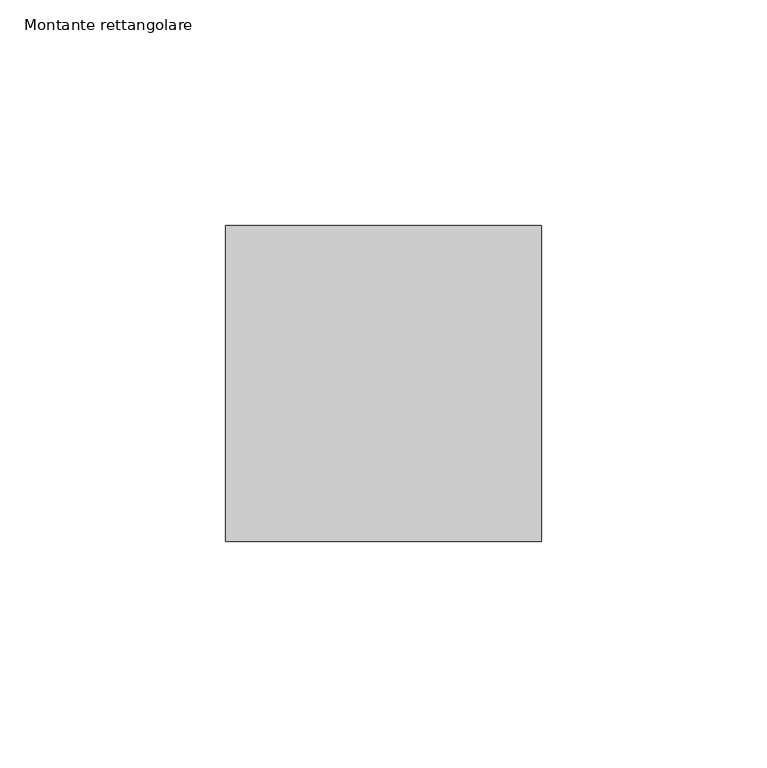
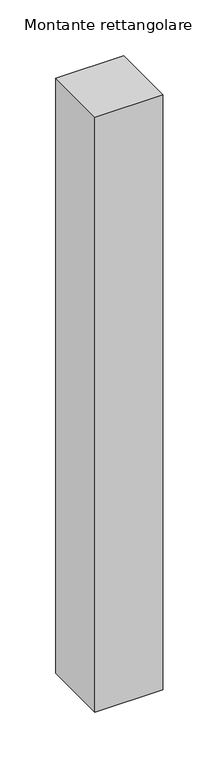
"""IFC4 building model written with IfcOpenShell, lengths in millimetres: member geometry, Montante rettangolare."""

import ifcopenshell
import ifcopenshell.guid

model = None  # the IFC model being written
_history = None  # IfcOwnerHistory: only IFC2X3 demands one
_inside = {}  # id of a spatial element -> (the spatial element, [elements in it])
_under = {}  # id of a project, library or spatial element -> (it, [spatial elements below it])
_declared = {}  # id of a project -> (the project, [libraries it declares])
_typed = {}  # id of a type object -> (the type object, [elements of that type])
_made_of = {}  # id of a material, layer set ... -> (it, [elements and type objects made of it])


def new_model(schema):
    """Start an empty IFC model of exactly this schema.

    Asked for "IFC4X3", IfcOpenShell would pick the latest addendum, in which some entities
    have other attributes; the version numbers below select the first issue.
    IFC2X3 requires an IfcOwnerHistory on every rooted entity: one is made here for all.
    """
    global model, _history
    if schema == "IFC4X3":
        model = ifcopenshell.file(schema_version=(4, 3, 0, 0))
    else:
        model = ifcopenshell.file(schema=schema)
    _inside.clear()
    _under.clear()
    _declared.clear()
    _typed.clear()
    _made_of.clear()
    _history = None
    if model.schema == "IFC2X3":
        org = make("IfcOrganization", Name="unknown")
        user = make(
            "IfcPersonAndOrganization",
            ThePerson=make("IfcPerson", FamilyName="unknown"),
            TheOrganization=org,
        )
        app = make(
            "IfcApplication",
            ApplicationDeveloper=org,
            Version="unknown",
            ApplicationFullName="unknown",
            ApplicationIdentifier="unknown",
        )
        _history = make(
            "IfcOwnerHistory",
            OwningUser=user,
            OwningApplication=app,
            ChangeAction="ADDED",
            CreationDate=0,
        )
    return model


def make(cls, **values):
    """One entity of the class cls with the attributes given. An attribute that is None is left unset."""
    return model.create_entity(
        cls, **{name: value for name, value in values.items() if value is not None}
    )


def rooted(cls, **values):
    """An entity with a GlobalId (a new one), such as an element, a storey or a relation."""
    return make(cls, GlobalId=ifcopenshell.guid.new(), OwnerHistory=_history, **values)


def si_unit(unit_type, name, prefix=None):
    """IfcSIUnit, for example si_unit("LENGTHUNIT", "METRE", prefix="MILLI")."""
    return make("IfcSIUnit", UnitType=unit_type, Prefix=prefix, Name=name)


def assignment(units):
    """IfcUnitAssignment: the units of a project."""
    return None if units is None else make("IfcUnitAssignment", Units=units)


def point(xyz):
    """IfcCartesianPoint."""
    return None if xyz is None else make("IfcCartesianPoint", Coordinates=xyz)


def direction(xyz):
    """IfcDirection."""
    return None if xyz is None else make("IfcDirection", DirectionRatios=xyz)


def frame(location, z_axis=None, x_axis=None):
    """IfcAxis2Placement3D, a coordinate frame: its origin and axes. An axis left out is left unset."""
    return make(
        "IfcAxis2Placement3D",
        Location=point(location),
        Axis=direction(z_axis),
        RefDirection=direction(x_axis),
    )


def origin():
    """The frame at (0, 0, 0) with its axes left unset."""
    return frame((0.0, 0.0, 0.0))


def place(relative_to, where):
    """IfcLocalPlacement: puts the frame where relative to a parent placement (None: the world)."""
    return make(
        "IfcLocalPlacement", PlacementRelTo=relative_to, RelativePlacement=where
    )


def context(
    kind, dimensions, precision=None, world=None, true_north=None, identifier=None
):
    """IfcGeometricRepresentationContext, for example the 3D "Model" context."""
    return make(
        "IfcGeometricRepresentationContext",
        ContextIdentifier=identifier,
        ContextType=kind,
        CoordinateSpaceDimension=dimensions,
        Precision=precision,
        WorldCoordinateSystem=world,
        TrueNorth=true_north,
    )


def project(units=None, contexts=None):
    """IfcProject with its units and contexts."""
    return rooted(
        "IfcProject",
        Name="project",
        RepresentationContexts=contexts,
        UnitsInContext=assignment(units),
    )


def spatial(cls, under=None, at=None, **own):
    """A site, building, storey or space (cls), placed at a placement, below another one or the project."""
    s = rooted(cls, ObjectPlacement=at, **own)
    if under is not None:
        _under.setdefault(under.id(), (under, []))[1].append(s)
    return s


def polyline(points):
    """IfcPolyline through the points."""
    return make("IfcPolyline", Points=[point(p) for p in points])


def outline(outer, holes=None, kind="AREA"):
    """IfcArbitraryClosedProfileDef: a profile drawn as a closed curve; with holes, ...WithVoids."""
    if holes is None:
        return make("IfcArbitraryClosedProfileDef", ProfileType=kind, OuterCurve=outer)
    return make(
        "IfcArbitraryProfileDefWithVoids",
        ProfileType=kind,
        OuterCurve=outer,
        InnerCurves=holes,
    )


def extrude(swept, where, along, depth):
    """IfcExtrudedAreaSolid: the profile swept, set in the frame where, extruded along a direction by depth."""
    return make(
        "IfcExtrudedAreaSolid",
        SweptArea=swept,
        Position=where,
        ExtrudedDirection=direction(along),
        Depth=depth,
    )


def shape(context_of_items, identifier, shape_type, items):
    """IfcShapeRepresentation: the items that make up one representation, for example the "Body"."""
    return make(
        "IfcShapeRepresentation",
        ContextOfItems=context_of_items,
        RepresentationIdentifier=identifier,
        RepresentationType=shape_type,
        Items=items,
    )


def source(mapping_origin, context_of_items, identifier, shape_type, items):
    """IfcRepresentationMap: a shape defined once, which mapped items show again and again."""
    return make(
        "IfcRepresentationMap",
        MappingOrigin=mapping_origin,
        MappedRepresentation=shape(context_of_items, identifier, shape_type, items),
    )


def transform(
    local_origin,
    x_axis=None,
    y_axis=None,
    z_axis=None,
    scale=None,
    scale2=None,
    scale3=None,
    uniform=True,
):
    """IfcCartesianTransformationOperator3D, or its non-uniform kind. x_axis, y_axis, z_axis: its Axis1, 2, 3."""
    if uniform:
        return make(
            "IfcCartesianTransformationOperator3D",
            Axis1=direction(x_axis),
            Axis2=direction(y_axis),
            LocalOrigin=point(local_origin),
            Scale=scale,
            Axis3=direction(z_axis),
        )
    return make(
        "IfcCartesianTransformationOperator3DnonUniform",
        Axis1=direction(x_axis),
        Axis2=direction(y_axis),
        LocalOrigin=point(local_origin),
        Scale=scale,
        Axis3=direction(z_axis),
        Scale2=scale2,
        Scale3=scale3,
    )


def mapped(mapping_source, mapping_target):
    """IfcMappedItem: shows the shape of a source again, moved by a transform."""
    return make(
        "IfcMappedItem", MappingSource=mapping_source, MappingTarget=mapping_target
    )


def made_of(thing, what):
    """Note that an element or type object is made of a material, layer set ...; save() writes the relation."""
    if what is not None:
        _made_of.setdefault(what.id(), (what, []))[1].append(thing)
    return thing


def element(
    cls,
    number,
    at=None,
    inside=None,
    cuts=None,
    type_object=None,
    material=None,
    context=None,
    identifier="Body",
    shape_type=None,
    held_by="IfcProductDefinitionShape",
    body=None,
    shapes=None,
    **own,
):
    """One element of the class cls, such as IfcWall. Its Tag is "e" and its number.

    at: its placement. inside: the storey or other place that contains it. cuts: it is an
    opening in that element (IfcRelVoidsElement). A single representation is given by context,
    identifier, shape_type and body (its items); several are given by shapes. held_by: the class
    of the entity that holds the representations. save() writes the other relations.
    """
    e = rooted(cls, Tag="e%d" % number, ObjectPlacement=at, **own)
    if body is not None:
        shapes = [shape(context, identifier, shape_type, body)]
    if shapes is not None:
        e.Representation = make(held_by, Representations=shapes)
    if inside is not None:
        _inside.setdefault(inside.id(), (inside, []))[1].append(e)
    if cuts is not None:
        rooted(
            "IfcRelVoidsElement", RelatingBuildingElement=cuts, RelatedOpeningElement=e
        )
    if type_object is not None:
        _typed.setdefault(type_object.id(), (type_object, []))[1].append(e)
    return made_of(e, material)


def aggregate(whole, parts):
    """IfcRelAggregates: a whole, such as a stair, and the parts it consists of."""
    return rooted("IfcRelAggregates", RelatingObject=whole, RelatedObjects=parts)


def save(model, path):
    """Write the relations noted so far, then the file.

    IfcRelAggregates (storeys below a building ...), IfcRelContainedInSpatialStructure (elements
    in a storey), IfcRelDefinesByType, IfcRelAssociatesMaterial and IfcRelDeclares: one each for
    every whole, place, type object, material and project.
    """
    for whole, parts in _under.values():
        aggregate(whole, parts)
    for where, things in _inside.values():
        rooted(
            "IfcRelContainedInSpatialStructure",
            RelatedElements=things,
            RelatingStructure=where,
        )
    for kind, things in _typed.values():
        rooted("IfcRelDefinesByType", RelatedObjects=things, RelatingType=kind)
    for what, things in _made_of.values():
        rooted("IfcRelAssociatesMaterial", RelatedObjects=things, RelatingMaterial=what)
    for by, libraries in _declared.values():
        rooted("IfcRelDeclares", RelatingContext=by, RelatedDefinitions=libraries)
    model.write(path)


def montante_rettangolare_1336763a(model_context):
    return source(origin(), model_context, "Body", "SweptSolid", [
        extrude(outline(polyline([(0.0, 35.0), (0.0, -35.0), (-70.0, -35.0), (-70.0, 35.0), (0.0, 35.0)])), frame((0.0, 0.0, -649.8361775), z_axis=(0.0, 0.0, 1.0), x_axis=(1.0, 0.0, 0.0)), (0.0, 0.0, 1.0), 649.8361775),
    ])


if __name__ == "__main__":
    model = new_model("IFC4")
    model_context = context("Model", 3, world=origin())
    ifc_project = project(units=[si_unit("LENGTHUNIT", "METRE", prefix="MILLI")], contexts=[model_context])
    site = spatial("IfcSite", under=ifc_project)
    building = spatial("IfcBuilding", under=site)
    placement = place(None, origin())
    montante_rettangolare_shape = montante_rettangolare_1336763a(model_context)
    element("IfcMember", 1, ObjectType="Montante rettangolare", at=placement, inside=building, context=model_context, shape_type="MappedRepresentation", body=[
        mapped(montante_rettangolare_shape, transform((0.0, 0.0, 0.0), x_axis=(1.0, 0.0, 0.0), y_axis=(0.0, 1.0, 0.0), z_axis=(0.0, 0.0, 1.0))),
    ])
    save(model, "model.ifc")
